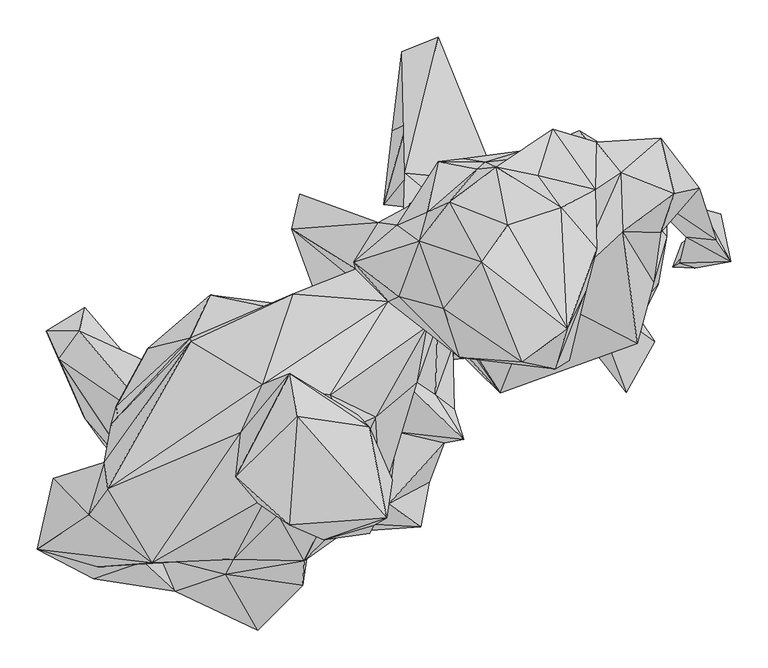
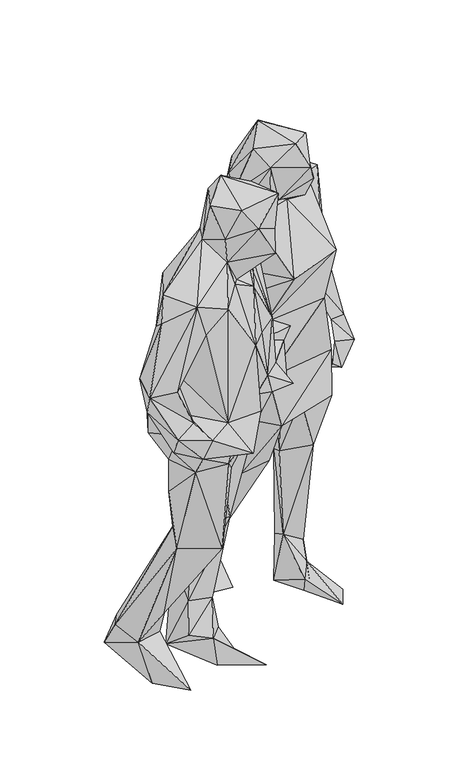
"""IFC4 building model written with IfcOpenShell, lengths in millimetres: geographic element geometry."""

from ifc_helpers import new_model, si_unit, origin, place, context, project, spatial, faceted_brep, source, transform, mapped, element, save


def geographic_element_bae1cb98(model_context):
    return source(origin(), model_context, "Body", "Brep", [
        faceted_brep([(22.5875077, 283.792522, 906.7593105), (74.8161515, 253.453937, 1068.5334074), (275.1110758, 350.6829099, 1018.9998024), (216.0189423, 306.6096268, 1115.1048999), (26.0099318, 161.4243666, 1068.0779087), (86.1462568, 241.9774055, 1189.308271), (256.659147, 311.234679, 1184.1423365), (94.620249, 344.2326146, 1322.2744301), (175.4341104, 354.814525, 1334.6911504), (350.6206529, 178.1143673, 1183.3518597), (359.9941984, 244.1083014, 1297.8477318), (302.708175, 330.4782767, 1257.157191), (368.6167254, 239.2191708, 986.0269305), (285.4921484, 92.7329723, 1097.1726044), (309.3682489, 245.5290079, 1456.330639), (328.4074326, 95.2839914, 1256.9389188), (356.7468182, 174.8594769, 832.24528), (366.6742101, 310.9560272, 868.3616412), (81.3038637, 73.3487001, 884.9619518), (80.1856433, 91.299868, 1078.601347), (144.4489938, 28.0841995, 1253.5760248), (198.1556391, 162.4796668, 1445.6093133), (60.3489012, 123.0762884, 1176.6259525), (69.0879068, 147.1250486, 1424.9381843), (44.1498006, 171.826435, 1237.3897876), (244.8116213, 185.9494574, 1511.9833759), (214.5631138, 88.0567272, 1502.5446229), (134.8277165, 175.5034157, 1471.9494399), (130.0873442, 95.4285476, 1509.1272406), (237.3407603, 71.8442789, 1564.5328567), (217.9870579, 60.8078383, 1618.0461445), (90.0716696, 76.1639392, 1651.425222), (89.921749, 82.4534808, 1515.9786752), (259.0170471, 165.2037928, 1621.1590567), (234.1781379, 115.4273809, 1705.6406526), (173.8802322, 69.8467037, 1714.5668056), (273.9860978, 222.1703502, 1618.2077923), (154.1038435, 254.303482, 1695.2012568), (119.6660459, 204.7422056, 1738.0215907), (226.6034456, 277.7060236, 1630.743245), (68.2574726, 141.7582465, 1688.9166623), (35.4505363, 232.8413994, 1557.5971411), (75.643613, 285.5625117, 1571.2861821), (139.1666961, 332.6457102, 1519.7005084), (272.0501091, 302.3641668, 1525.1432469), (195.2173984, 321.0273047, 1501.5305095), (214.8840997, 383.7338341, 1434.6242966), (273.6211981, 366.1768093, 1393.4380836), (306.2029443, 324.9128421, 1466.4052544), (184.2592783, 345.9916668, 1439.2123044), (227.7269037, 370.0392797, 1367.7565882), (360.0702539, 371.7166735, 1153.8799859), (378.6704195, 296.6794037, 1428.1554046), (412.0292017, 304.479625, 1105.3873164), (322.1461137, 310.8081779, 1083.1602678), (123.8044858, 339.3863696, 1377.9849836), (113.4197996, 330.1166553, 1460.766655), (60.6863417, 339.7807139, 1430.5620017), (49.0108648, 295.0113677, 1333.526118), (5.7929809, 254.4626264, 1434.8714174), (46.321913, 271.9999518, 1484.2414673), (-53.0412489, 204.9894308, 1434.0737881), (-19.5797661, 257.932779, 1363.9353345), (25.7345658, 240.9978926, 1277.6378235), (-136.0491497, 248.9797144, 1189.1646238), (-50.0679792, 195.0134164, 1363.1402086), (-125.6507173, 295.9014737, 1123.8896708), (7.3902234, 158.4985535, 1538.8507653), (-6.4685688, 151.5190881, 1438.7013734), (45.3375759, 117.9238692, 1413.5359351), (-84.2378129, 25.5261414, 1522.4703362), (-23.5728116, -4.134735, 1426.1965575), (32.0342924, 42.320657, 1353.4372878), (-21.687662, 78.8795417, 1171.2016915), (5.7435254, -23.8917001, 1112.8247839), (-16.8469732, -117.1897039, 1258.679136), (-60.7814111, -20.5726695, 1505.9802346), (-53.2404066, -67.946992, 1410.1627891), (-82.3969011, -122.0196843, 1398.0568475), (-154.2637627, -135.5233623, 1439.2334045), (-119.4273219, -197.774974, 1239.8146238), (-66.0742588, -142.1675963, 1236.3333549), (-133.3558245, -105.8869945, 1430.741054), (-214.1126964, -195.4156434, 1404.1297262), (-169.7101721, -112.4781729, 1509.9142603), (-31.1228741, -160.4419927, 1524.0065863), (-324.082758, -200.0633304, 1452.0172893), (-92.9279688, -169.7149256, 1641.3407123), (-181.6667594, -120.3188136, 1602.3050349), (-204.8922007, -24.9046457, 1554.3479727), (-26.1362471, -150.2832901, 1605.4189007), (-8.1823709, -140.1057375, 1723.9756371), (-139.6822018, -149.1613221, 1710.775235), (-211.9156245, -84.8229741, 1715.4118803), (-128.8627817, -3.6083683, 1750.0000976), (-1.1851385, -88.7337987, 1667.3495563), (-31.9668609, -17.355345, 1701.0791091), (-47.68281, -1.4925895, 1606.7517797), (-175.8778372, 40.0562691, 1547.4226284), (-138.8287825, 54.9178824, 1670.0769456), (-384.0975118, -100.6243067, 1459.0495644), (-272.3669376, 97.9889023, 1381.1837264), (-388.4240937, -65.4162235, 1323.3927325), (-409.7576985, -136.1085458, 1384.1492959), (-478.8879693, -181.957943, 1162.748084), (-397.1297394, -205.9811328, 1169.2641829), (-291.5129029, -199.0084027, 1340.1189877), (-457.5579706, -86.6704572, 1167.8930377), (-365.7469108, -86.8843783, 1192.0630785), (-397.9726087, -101.0105299, 1147.5591518), (-450.2581004, -119.5036829, 1063.5292399), (-357.9395965, -132.9597516, 1028.2760731), (-367.4839988, -161.4063958, 1162.7216195), (-402.5627623, -221.8700173, 1005.8574552), (-377.5314642, -150.7498007, 907.9513438), (-293.1595408, -238.5427177, 975.867617), (-336.1885506, -198.8214081, 1030.98272), (-317.7415987, -226.569769, 908.0819971), (-316.5473005, -178.2472857, 831.7405479), (-353.0335681, -143.0492234, 956.5463544), (-197.7119421, -202.1646177, 929.6356921), (-181.7435898, -291.3420462, 921.8072181), (-211.6392229, -195.9790861, 836.4452616), (-121.6257423, -230.3673448, 1018.9220779), (-225.0351729, -215.8119354, 1003.2281752), (-111.4369766, -161.6930346, 1012.7146119), (-48.4834941, -147.3839712, 1075.5356417), (-85.083953, -143.3818472, 1015.1466006), (-118.071048, -154.6297799, 951.6049506), (-113.6929975, -135.5047358, 860.304047), (-40.2765642, -156.9796483, 1017.5576084), (-212.2128878, -156.8631957, 503.3687887), (-169.2551205, -135.0269897, 772.0793986), (-335.4797918, -97.0816079, 508.3123979), (-358.1125394, -86.9351689, 838.0125657), (-342.7140372, -61.8046216, 699.7627529), (-303.5707436, -0.4683446, 779.1946434), (-373.1025709, 9.5899346, 882.9043398), (-372.5673212, 9.955881, 1010.3276843), (-330.3163607, 88.6966799, 888.0386839), (-379.0157987, -13.0176869, 1093.900667), (-272.8162374, 102.2695961, 1084.9220619), (-331.0123045, -150.9436648, 1030.1293007), (-134.9908991, 161.8128399, 1386.5625687), (-91.7763475, 128.1262173, 1152.9078341), (-86.3114585, 166.6138897, 1279.2193732), (-246.073079, 160.274295, 870.7498204), (-226.9466789, 11.0417529, 796.8174717), (-193.416459, 109.051867, 788.1821297), (-104.4010582, 142.3286927, 835.474004), (-217.0874152, -2.6634806, 730.1568895), (-110.0632758, 105.921595, 498.1553493), (-190.3225607, 92.9649684, 520.3435953), (-112.1456758, 114.3424869, 760.9677817), (-15.7727485, 52.3251549, 812.5003476), (-7.7912341, -70.280037, 991.8092367), (-42.229067, 100.4285651, 1090.1319846), (-33.862691, -34.5100905, 798.4353205), (-96.6306987, 0.056629, 483.5462212), (-39.8392002, 223.8947572, 1125.0405173), (44.3704421, 199.9327069, 1211.3896459), (54.6123043, 159.1528187, 1160.5666732), (-63.6907212, 189.7890544, 1188.1317946), (48.7180383, -91.7275611, 997.9694958), (82.655481, 6.6362735, 1087.4909028), (-5.0767157, 159.2895667, 877.4085532), (12.6142668, 211.1676905, 688.8387118), (56.6954717, 26.1862647, 1130.7463506), (94.8745671, -34.1416444, 1137.0243886), (68.891815, -39.0883158, 1096.9983204), (-5.917733, -120.7046345, 1091.2269219), (37.4201532, -151.7749112, 1017.8201073), (-159.789292, -63.5636441, 743.127158), (-211.9980726, 16.3746977, 477.0105422), (-234.7637833, 7.5812213, 218.2571414), (-149.2105257, 11.9583875, 199.240235), (-109.303339, 76.0668805, 324.7911294), (-284.174111, 56.936472, 49.0522565), (-235.5280042, 99.8757395, 307.0546351), (-246.1108833, -14.6949876, 110.0533144), (-168.4457341, 125.9967967, 265.3962639), (-156.7058544, 62.6424096, 94.864628), (-244.441849, -4.1592153, 623.6050648), (-215.8268961, -24.0006761, 484.0315521), (-307.4868581, -23.2720465, 536.1687475), (-328.3475597, 69.1758386, 302.3810051), (-422.5475438, 111.8700863, 171.5180853), (-449.7351889, 74.0555739, 168.0171171), (-316.9646522, 20.7335145, 224.7044863), (-320.1256653, 32.8818146, 121.4048475), (-414.6070131, 143.5323191, 78.1102171), (-466.9786932, 111.959456, 83.8465904), (-415.5651578, -4.4289212, 136.9842274), (-354.3332771, -52.6093275, 252.9503374), (-306.2631748, -131.3052757, 0.0), (-389.0372467, -40.8605556, -4.4e-06), (-294.801321, 1.2830755, -4.4e-06), (-177.7296789, -43.6306143, 92.2422472), (-136.2004561, -0.2686924, 93.1379858), (-173.6746558, -58.3457791, -2.9e-06), (-235.0538493, 94.8265705, -4.4e-06), (-85.2623124, -6.0945888, -4.4e-06), (-43.0799755, -128.2431318, -4.4e-06), (133.4983541, 83.2453881, 686.3675033), (153.0318837, 324.6683438, 717.1371491), (68.5732207, 219.248307, 450.750554), (83.6248089, 268.321779, 552.6924661), (125.1066461, 265.4943135, 675.8089578), (16.0253679, 324.5024045, 429.8257179), (338.6657196, 267.4638, 684.0563928), (341.689195, 143.8152325, 687.6726066), (311.646249, 221.473706, 509.1404256), (211.3450889, 266.9497099, 465.1146176), (290.5302608, 330.8791179, 693.7318359), (250.271049, 381.6171539, 896.6106066), (205.0043021, 269.0334287, 734.4010382), (197.6697271, 211.6688166, 493.1237339), (196.9826942, 203.0365293, 679.4679677), (139.5016444, 313.2096788, 460.7452991), (241.1155671, 155.7423751, 699.6902141), (136.3873018, 165.4049138, 508.6932119), (283.2101847, 154.3294321, 520.9045942), (84.68715, 389.8225677, 172.4400499), (59.6855573, 371.178682, 106.0680734), (17.5616068, 390.7402408, 116.2341968), (60.5819069, 507.516199, 96.3620159), (71.3361418, 272.8736069, 0.0), (-12.7853722, 282.0413376, 0.0), (61.1913681, 389.3483233, 0.0), (11.6319841, 488.2609486, 78.6328828), (-1.1565361, 382.1926666, 0.0), (207.9749678, 206.1511998, 187.7250499), (274.6649351, 198.5529488, 149.4358611), (296.9439887, 287.4387467, 363.5478869), (242.2584861, 277.8114046, 171.3936159), (263.5058728, 271.4978423, 168.4852073), (203.2002931, 247.0862686, 168.2730147), (196.9785517, 241.8145955, 0.0), (235.8813704, 258.3284644, 7.3364721), (249.0116923, 153.6245327, -4.4e-06), (291.2483179, 188.5624356, -4.4e-06), (238.1285251, 127.3023321, 58.6969398), (313.9111957, 29.1965302, -4.4e-06), (352.1612839, 98.2428926, -4.4e-06), (264.3546131, 160.9425227, 96.4196163), (435.1084477, 234.678951, 896.8982586), (394.6470271, 238.4906531, 890.1253233), (416.9232198, 275.9012844, 890.6997928), (454.5930568, 205.1940684, 816.9253964), (440.8789819, 269.2801919, 802.0598789), (386.0513818, 203.2073413, 834.5630662), (406.8273554, 196.4262402, 736.8386893), (376.5354408, 198.0412578, 758.5302498), (388.5818076, 230.6028129, 723.2621223)], [[[0, 1, 2]], [[3, 2, 1]], [[1, 0, 4]], [[5, 1, 4]], [[1, 5, 3]], [[3, 6, 2]], [[6, 3, 5]], [[7, 8, 6]], [[9, 6, 10]], [[2, 6, 9]], [[11, 10, 6]], [[8, 11, 6]], [[7, 6, 5]], [[12, 2, 9]], [[12, 9, 13]], [[9, 10, 14]], [[9, 14, 15]], [[15, 13, 9]], [[13, 16, 12]], [[17, 12, 16]], [[17, 2, 12]], [[13, 18, 16]], [[15, 19, 13]], [[18, 13, 19]], [[20, 19, 15]], [[15, 21, 20]], [[15, 14, 21]], [[20, 22, 19]], [[20, 23, 24]], [[20, 21, 23]], [[22, 20, 24]], [[25, 21, 14]], [[26, 21, 25]], [[23, 21, 27]], [[26, 27, 21]], [[26, 28, 27]], [[25, 29, 26]], [[29, 28, 26]], [[27, 28, 23]], [[30, 31, 28]], [[28, 32, 23]], [[31, 32, 28]], [[30, 28, 29]], [[29, 25, 33]], [[29, 33, 30]], [[30, 33, 34]], [[35, 31, 30]], [[34, 35, 30]], [[25, 36, 33]], [[34, 33, 36]], [[37, 38, 34]], [[39, 34, 36]], [[38, 35, 34]], [[37, 34, 39]], [[40, 35, 38]], [[40, 31, 35]], [[41, 40, 38]], [[38, 42, 41]], [[38, 37, 42]], [[39, 43, 37]], [[43, 42, 37]], [[44, 45, 39]], [[36, 44, 39]], [[43, 39, 45]], [[36, 25, 44]], [[46, 45, 44]], [[44, 47, 46]], [[47, 44, 48]], [[44, 25, 48]], [[45, 46, 43]], [[43, 46, 49]], [[50, 46, 47]], [[50, 49, 46]], [[51, 11, 47]], [[48, 51, 47]], [[50, 47, 11]], [[51, 48, 52]], [[48, 25, 14]], [[52, 48, 14]], [[52, 10, 53]], [[53, 51, 52]], [[14, 10, 52]], [[10, 54, 53]], [[10, 11, 54]], [[8, 50, 11]], [[11, 51, 54]], [[50, 8, 49]], [[49, 8, 55]], [[8, 7, 55]], [[43, 55, 56]], [[57, 55, 7]], [[43, 49, 55]], [[57, 56, 55]], [[58, 7, 5]], [[7, 59, 57]], [[59, 7, 58]], [[57, 59, 60]], [[60, 56, 57]], [[42, 43, 56]], [[42, 56, 60]], [[41, 42, 60]], [[41, 60, 59]], [[59, 61, 41]], [[62, 61, 59]], [[62, 59, 58]], [[58, 5, 63]], [[58, 63, 62]], [[64, 65, 62]], [[62, 63, 66]], [[62, 65, 61]], [[66, 64, 62]], [[41, 61, 67]], [[68, 67, 61]], [[68, 61, 65]], [[67, 40, 41]], [[31, 67, 68]], [[67, 31, 40]], [[31, 68, 32]], [[32, 68, 23]], [[68, 69, 23]], [[23, 69, 24]], [[70, 69, 68]], [[71, 69, 70]], [[69, 72, 24]], [[69, 71, 72]], [[24, 72, 22]], [[72, 73, 22]], [[74, 72, 75]], [[71, 75, 72]], [[74, 73, 72]], [[76, 77, 71]], [[77, 75, 71]], [[76, 71, 70]], [[77, 76, 78]], [[75, 77, 78]], [[78, 79, 80]], [[81, 78, 80]], [[78, 76, 82]], [[82, 79, 78]], [[81, 75, 78]], [[79, 83, 80]], [[79, 84, 83]], [[84, 79, 82]], [[85, 82, 76]], [[84, 82, 85]], [[83, 84, 86]], [[87, 88, 84]], [[84, 88, 89]], [[85, 87, 84]], [[86, 84, 89]], [[85, 90, 87]], [[90, 85, 76]], [[87, 91, 92]], [[87, 92, 88]], [[90, 91, 87]], [[88, 93, 89]], [[93, 88, 92]], [[92, 94, 93]], [[91, 94, 92]], [[90, 95, 91]], [[91, 96, 94]], [[91, 95, 96]], [[95, 90, 97]], [[90, 76, 97]], [[97, 76, 98]], [[70, 98, 76]], [[95, 97, 96]], [[98, 99, 97]], [[97, 99, 96]], [[99, 94, 96]], [[99, 93, 94]], [[93, 99, 89]], [[99, 98, 89]], [[86, 89, 100]], [[89, 98, 100]], [[101, 100, 98]], [[101, 102, 100]], [[100, 102, 103]], [[103, 86, 100]], [[86, 103, 104]], [[86, 104, 105]], [[86, 106, 83]], [[105, 106, 86]], [[104, 103, 107]], [[102, 107, 103]], [[108, 107, 102]], [[108, 109, 107]], [[104, 107, 110]], [[109, 110, 107]], [[109, 111, 110]], [[112, 109, 108]], [[112, 111, 109]], [[104, 110, 113]], [[111, 114, 110]], [[113, 110, 114]], [[115, 116, 113]], [[116, 104, 113]], [[115, 113, 117]], [[117, 113, 114]], [[117, 114, 118]], [[111, 119, 114]], [[114, 119, 118]], [[117, 120, 121]], [[122, 117, 118]], [[120, 117, 122]], [[121, 115, 117]], [[121, 123, 124]], [[121, 124, 115]], [[121, 120, 123]], [[125, 80, 123]], [[124, 123, 80]], [[125, 123, 120]], [[83, 124, 80]], [[80, 125, 126]], [[81, 80, 126]], [[126, 125, 127]], [[125, 120, 128]], [[128, 127, 125]], [[127, 129, 130]], [[130, 126, 127]], [[129, 127, 128]], [[129, 128, 120]], [[120, 122, 129]], [[122, 118, 131]], [[122, 131, 132]], [[129, 122, 132]], [[133, 131, 118]], [[119, 134, 118]], [[135, 118, 134]], [[118, 135, 133]], [[136, 135, 134]], [[134, 137, 136]], [[134, 119, 137]], [[111, 138, 119]], [[137, 119, 138]], [[139, 137, 138]], [[139, 136, 137]], [[140, 141, 138]], [[138, 111, 140]], [[139, 138, 141]], [[108, 140, 111]], [[142, 108, 111]], [[112, 116, 111]], [[111, 116, 142]], [[140, 108, 102]], [[102, 101, 140]], [[101, 141, 140]], [[124, 106, 108]], [[124, 108, 142]], [[108, 106, 112]], [[115, 124, 142]], [[115, 142, 116]], [[112, 105, 116]], [[105, 104, 116]], [[105, 112, 106]], [[124, 83, 106]], [[101, 98, 143]], [[101, 143, 141]], [[143, 98, 68]], [[68, 98, 70]], [[141, 143, 144]], [[65, 143, 68]], [[65, 145, 143]], [[143, 145, 144]], [[141, 146, 139]], [[141, 144, 146]], [[139, 146, 147]], [[147, 146, 148]], [[146, 144, 149]], [[146, 149, 148]], [[139, 147, 136]], [[150, 147, 148]], [[136, 147, 150]], [[148, 151, 152]], [[153, 151, 148]], [[148, 149, 153]], [[152, 150, 148]], [[154, 149, 144]], [[153, 149, 154]], [[151, 153, 154]], [[155, 154, 156]], [[154, 144, 156]], [[157, 158, 154]], [[151, 154, 158]], [[155, 157, 154]], [[4, 155, 156]], [[4, 156, 159]], [[66, 159, 156]], [[156, 144, 66]], [[160, 159, 63]], [[159, 161, 4]], [[66, 63, 159]], [[159, 160, 161]], [[144, 64, 66]], [[162, 65, 64]], [[162, 64, 144]], [[144, 145, 162]], [[145, 65, 162]], [[5, 4, 161]], [[161, 160, 5]], [[5, 160, 63]], [[163, 4, 164]], [[19, 4, 165]], [[164, 4, 19]], [[163, 155, 4]], [[0, 165, 4]], [[18, 165, 166]], [[19, 165, 18]], [[166, 165, 0]], [[22, 167, 19]], [[167, 164, 19]], [[167, 22, 73]], [[167, 73, 168]], [[164, 167, 168]], [[74, 168, 73]], [[169, 168, 74]], [[168, 169, 164]], [[164, 169, 163]], [[170, 163, 169]], [[169, 74, 170]], [[74, 75, 170]], [[75, 126, 170]], [[170, 126, 171]], [[163, 170, 171]], [[155, 163, 171]], [[155, 171, 130]], [[126, 130, 171]], [[75, 81, 126]], [[130, 129, 155]], [[155, 129, 157]], [[157, 129, 172]], [[172, 129, 132]], [[172, 158, 157]], [[158, 173, 174]], [[174, 175, 158]], [[172, 173, 158]], [[158, 175, 176]], [[176, 151, 158]], [[177, 174, 178]], [[173, 178, 174]], [[177, 179, 174]], [[174, 179, 175]], [[178, 180, 177]], [[152, 178, 173]], [[152, 180, 178]], [[177, 180, 181]], [[181, 180, 175]], [[151, 180, 152]], [[176, 175, 180]], [[180, 151, 176]], [[173, 150, 152]], [[172, 150, 173]], [[172, 182, 150]], [[150, 182, 136]], [[172, 132, 131]], [[172, 131, 183]], [[183, 182, 172]], [[182, 183, 184]], [[184, 136, 182]], [[184, 135, 136]], [[185, 184, 183]], [[184, 185, 186]], [[184, 187, 133]], [[133, 135, 184]], [[184, 186, 187]], [[185, 183, 188]], [[131, 188, 183]], [[189, 186, 185]], [[189, 185, 188]], [[189, 190, 186]], [[191, 187, 186]], [[191, 186, 190]], [[133, 187, 192]], [[187, 191, 192]], [[131, 133, 193]], [[193, 133, 192]], [[194, 192, 195]], [[192, 189, 193]], [[189, 192, 194]], [[192, 191, 195]], [[195, 191, 190]], [[196, 195, 190]], [[189, 196, 190]], [[194, 195, 196]], [[189, 194, 196]], [[188, 193, 189]], [[131, 193, 188]], [[179, 197, 175]], [[175, 197, 198]], [[175, 198, 181]], [[197, 179, 177]], [[199, 197, 177]], [[199, 177, 200]], [[200, 177, 181]], [[201, 200, 181]], [[198, 201, 181]], [[201, 198, 197]], [[202, 201, 197]], [[199, 201, 202]], [[201, 199, 200]], [[199, 202, 197]], [[203, 18, 166]], [[0, 204, 166]], [[203, 166, 205]], [[206, 166, 207]], [[208, 205, 166]], [[166, 204, 207]], [[208, 166, 206]], [[16, 18, 203]], [[16, 209, 17]], [[16, 203, 210]], [[209, 16, 210]], [[209, 211, 212]], [[211, 209, 210]], [[209, 212, 213]], [[17, 209, 213]], [[17, 213, 214]], [[214, 2, 17]], [[204, 214, 213]], [[215, 204, 213]], [[215, 213, 212]], [[0, 214, 204]], [[214, 0, 2]], [[215, 207, 204]], [[212, 216, 215]], [[215, 217, 207]], [[215, 216, 217]], [[206, 207, 218]], [[218, 207, 217]], [[203, 217, 219]], [[219, 217, 216]], [[203, 220, 217]], [[217, 220, 218]], [[221, 219, 216]], [[219, 221, 210]], [[203, 219, 210]], [[203, 205, 220]], [[220, 222, 218]], [[220, 205, 223]], [[220, 223, 222]], [[205, 208, 224]], [[223, 205, 224]], [[225, 222, 223]], [[226, 225, 223]], [[227, 223, 224]], [[223, 227, 226]], [[225, 218, 222]], [[218, 225, 208]], [[225, 226, 228]], [[228, 229, 225]], [[229, 208, 225]], [[229, 224, 208]], [[208, 206, 218]], [[230, 224, 229]], [[224, 230, 227]], [[227, 228, 226]], [[228, 227, 230]], [[229, 228, 230]], [[210, 221, 211]], [[231, 221, 216]], [[211, 221, 232]], [[221, 231, 232]], [[212, 211, 233]], [[233, 211, 232]], [[234, 212, 233]], [[232, 235, 233]], [[235, 234, 233]], [[212, 234, 236]], [[212, 231, 216]], [[236, 231, 212]], [[235, 237, 234]], [[236, 234, 237]], [[235, 232, 238]], [[237, 235, 238]], [[239, 237, 240]], [[240, 237, 238]], [[237, 241, 231]], [[241, 237, 239]], [[231, 236, 237]], [[240, 238, 232]], [[242, 239, 240]], [[242, 240, 243]], [[244, 243, 240]], [[240, 232, 244]], [[242, 241, 239]], [[241, 244, 231]], [[244, 241, 242]], [[244, 242, 243]], [[231, 244, 232]], [[245, 54, 246]], [[54, 245, 53]], [[51, 246, 54]], [[247, 53, 245]], [[248, 247, 245]], [[246, 248, 245]], [[53, 247, 51]], [[246, 51, 247]], [[249, 246, 247]], [[246, 249, 250]], [[248, 246, 250]], [[247, 248, 249]], [[251, 249, 248]], [[250, 251, 248]], [[252, 249, 253]], [[249, 252, 250]], [[249, 251, 253]], [[251, 250, 252]], [[251, 252, 253]]]),
    ])


if __name__ == "__main__":
    model = new_model("IFC4")
    model_context = context("Model", 3, world=origin())
    ifc_project = project(units=[si_unit("LENGTHUNIT", "METRE", prefix="MILLI")], contexts=[model_context])
    site = spatial("IfcSite", under=ifc_project)
    building = spatial("IfcBuilding", under=site)
    placement = place(None, origin())
    geographic_element_shape = geographic_element_bae1cb98(model_context)
    element("IfcGeographicElement", 1, at=placement, inside=building, context=model_context, shape_type="MappedRepresentation", body=[
        mapped(geographic_element_shape, transform((0.0, 0.0, 0.0), x_axis=(1.0, 0.0, 0.0), y_axis=(0.0, 1.0, 0.0), z_axis=(0.0, 0.0, 1.0))),
    ])
    save(model, "model.ifc")
